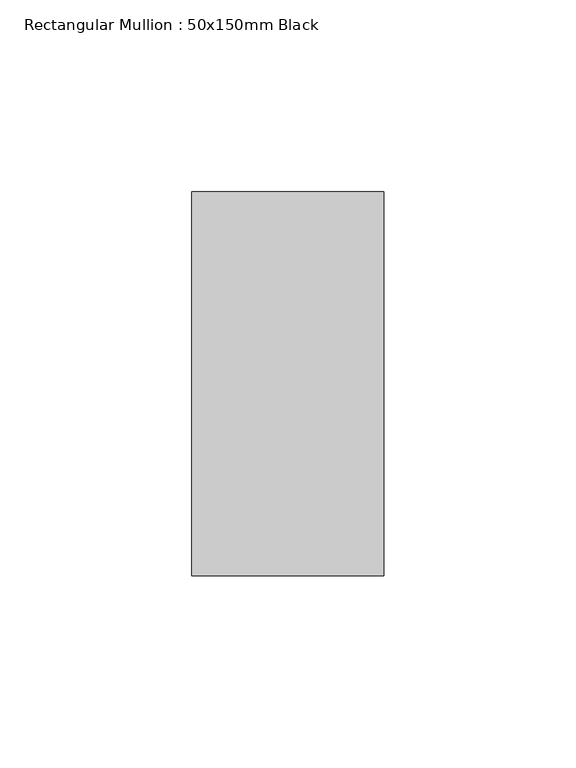
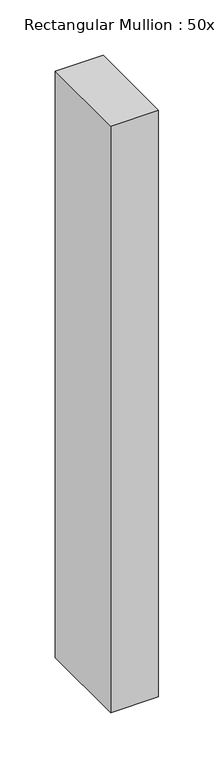
"""IFC4 building model written with IfcOpenShell, lengths in millimetres: member geometry, Rectangular Mullion : 50x150mm Black."""

from ifc_helpers import new_model, si_unit, frame, origin, place, context, project, spatial, polyline, outline, extrude, source, transform, mapped, element, save


def rectangular_mullion_50x150mm_black_17e39a33(model_context):
    return source(origin(), model_context, "Body", "SweptSolid", [
        extrude(outline(polyline([(0.0, 50.0), (0.0, -50.0), (-50.0, -50.0), (-50.0, 50.0), (0.0, 50.0)])), frame((0.0, 0.0, -648.0), z_axis=(0.0, 0.0, 1.0), x_axis=(1.0, 0.0, 0.0)), (0.0, 0.0, 1.0), 648.0),
    ])


if __name__ == "__main__":
    model = new_model("IFC4")
    model_context = context("Model", 3, world=origin())
    ifc_project = project(units=[si_unit("LENGTHUNIT", "METRE", prefix="MILLI")], contexts=[model_context])
    site = spatial("IfcSite", under=ifc_project)
    building = spatial("IfcBuilding", under=site)
    placement = place(None, origin())
    rectangular_mullion_50x150mm_black_shape = rectangular_mullion_50x150mm_black_17e39a33(model_context)
    element("IfcMember", 1, ObjectType="Rectangular Mullion : 50x150mm Black", at=placement, inside=building, context=model_context, shape_type="MappedRepresentation", body=[
        mapped(rectangular_mullion_50x150mm_black_shape, transform((0.0, 0.0, 0.0), x_axis=(1.0, 0.0, 0.0), y_axis=(0.0, 1.0, 0.0), z_axis=(0.0, 0.0, 1.0))),
    ])
    save(model, "model.ifc")
